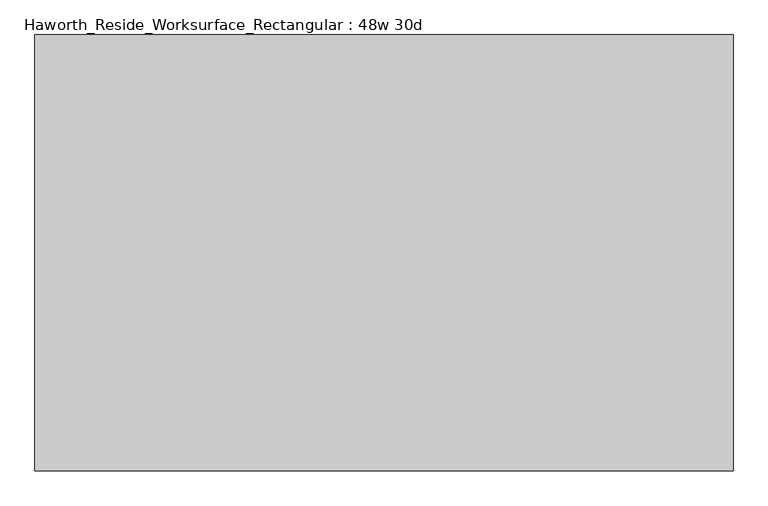
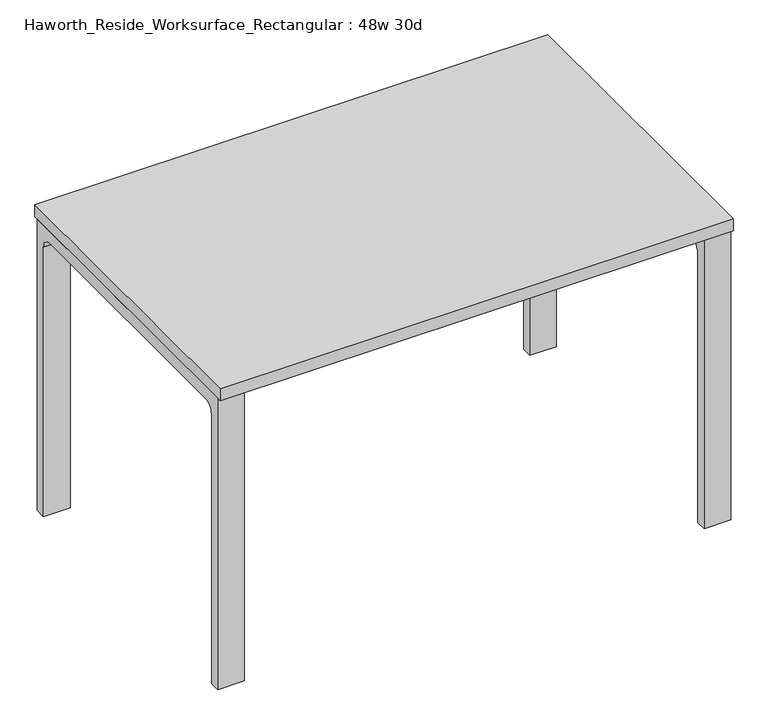
"""IFC4 building model written with IfcOpenShell, lengths in millimetres: furniture geometry, Haworth_Reside_Worksurface_Rectangular : 48w 30d."""

from ifc_helpers import new_model, si_unit, point, frame, frame_2d, origin, place, context, project, spatial, polyline, circle_curve, trimmed, segment, composite_curve, outline, extrude, source, transform, mapped, element, save


def haworth_reside_worksurface_rectangular_48w_30d_defecce4(model_context):
    return source(origin(), model_context, "Body", "SweptSolid", [
        extrude(outline(composite_curve([segment(trimmed(circle_curve(frame_2d((320.675, 676.275)), 25.4), [point((346.075, 676.275))], [point((320.675, 701.675))], True, "CARTESIAN"), True, "CONTINUOUS"), segment(polyline([(320.675, 701.675), (-320.675, 701.675)]), True, "CONTINUOUS"), segment(trimmed(circle_curve(frame_2d((-320.675, 676.275)), 25.4), [point((-320.675, 701.675))], [point((-346.075, 676.275))], True, "CARTESIAN"), True, "CONTINUOUS"), segment(polyline([(-346.075, 676.275), (-346.075, 0.0), (-371.475, 0.0), (-371.475, 731.8375), (371.475, 731.8375), (371.475, 0.0), (346.075, 0.0), (346.075, 676.275)]), True, "CONTINUOUS")], self_intersect=False)), frame((546.1, 0.0, 0.0), z_axis=(1.0, 0.0, 0.0), x_axis=(0.0, 1.0, 0.0)), (0.0, 0.0, 1.0), 63.5),
        extrude(outline(composite_curve([segment(trimmed(circle_curve(frame_2d((320.675, 676.275)), 25.4), [point((346.075, 676.275))], [point((320.675, 701.675))], True, "CARTESIAN"), True, "CONTINUOUS"), segment(polyline([(320.675, 701.675), (-320.675, 701.675)]), True, "CONTINUOUS"), segment(trimmed(circle_curve(frame_2d((-320.675, 676.275)), 25.4), [point((-320.675, 701.675))], [point((-346.075, 676.275))], True, "CARTESIAN"), True, "CONTINUOUS"), segment(polyline([(-346.075, 676.275), (-346.075, 0.0), (-371.475, 0.0), (-371.475, 731.8375), (371.475, 731.8375), (371.475, 0.0), (346.075, 0.0), (346.075, 676.275)]), True, "CONTINUOUS")], self_intersect=False)), frame((-609.6, 0.0, 0.0), z_axis=(1.0, 0.0, 0.0), x_axis=(0.0, 1.0, 0.0)), (0.0, 0.0, 1.0), 63.5),
        extrude(outline(polyline([(609.6, 381.0), (609.6, -381.0), (-609.6, -381.0), (-609.6, 381.0), (609.6, 381.0)])), frame((0.0, 0.0, 731.8375), z_axis=(0.0, 0.0, 1.0), x_axis=(1.0, 0.0, 0.0)), (0.0, 0.0, 1.0), 30.1625),
    ])


if __name__ == "__main__":
    model = new_model("IFC4")
    model_context = context("Model", 3, world=origin())
    ifc_project = project(units=[si_unit("LENGTHUNIT", "METRE", prefix="MILLI")], contexts=[model_context])
    site = spatial("IfcSite", under=ifc_project)
    building = spatial("IfcBuilding", under=site)
    placement = place(None, origin())
    haworth_reside_worksurface_rectangular_48w_30d_shape = haworth_reside_worksurface_rectangular_48w_30d_defecce4(model_context)
    element("IfcFurniture", 1, ObjectType="Haworth_Reside_Worksurface_Rectangular : 48w 30d", at=placement, inside=building, context=model_context, shape_type="MappedRepresentation", body=[
        mapped(haworth_reside_worksurface_rectangular_48w_30d_shape, transform((0.0, 0.0, 0.0), x_axis=(1.0, 0.0, 0.0), y_axis=(0.0, 1.0, 0.0), z_axis=(0.0, 0.0, 1.0))),
    ])
    save(model, "model.ifc")
